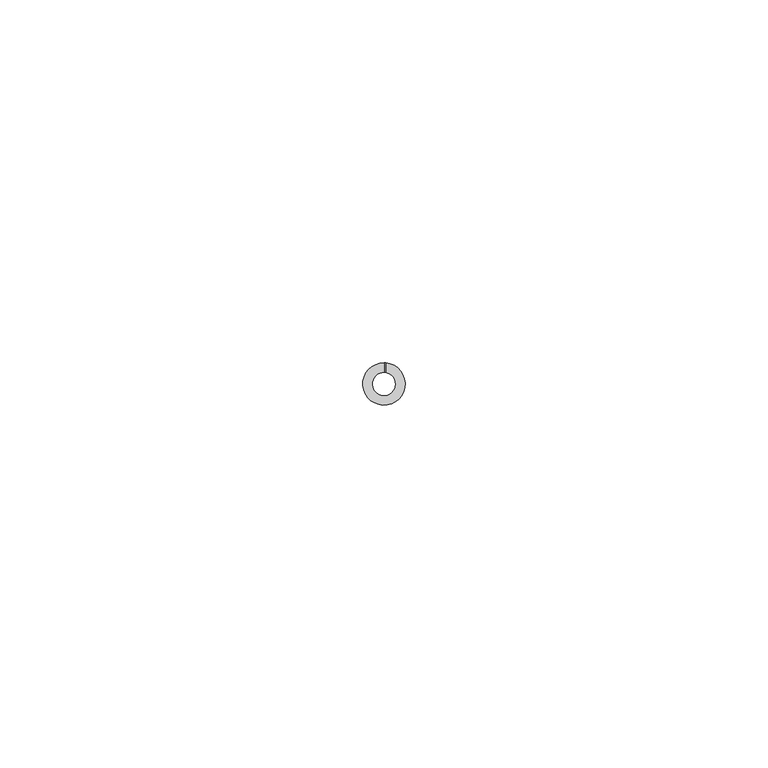
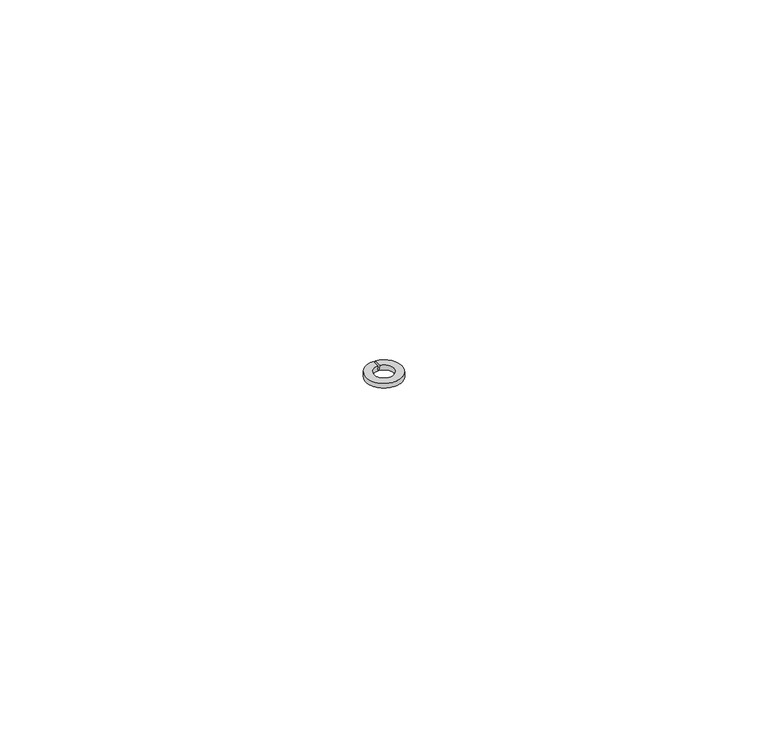
"""IFC4 building model written with IfcOpenShell, lengths in millimetres: proxy geometry."""

from ifc_helpers import new_model, si_unit, frame, origin, place, context, project, spatial, polyline, circle_curve, ellipse_curve, source, transform, mapped, element, save
from ifc_brep_helpers import plane_surface, cylinder_surface, revolved_surface, advanced_brep


def generic_models_9541a51e(model_context):
    return source(origin(), model_context, "Body", "AdvancedBrep", [
        advanced_brep(
        [(0.0405483, 1.6044877, 0.0), (-0.09875, 1.6019592, -0.79), (-0.09875, 2.9133269, -0.79), (0.0405483, 2.914718, 0.0), (0.09875, 1.6019592, -0.79), (0.2380483, 1.5872486, 0.0), (0.2380483, 2.9052638, 0.0), (0.09875, 2.9133269, -0.79)],
        [
            (0, 1, ellipse_curve(frame((0.0, 0.0, -0.2299609), z_axis=(-0.984807753012208, 0.0, 0.17364817766693055), x_axis=(0.17364817766693055, 0.0, 0.9848077530122081)), 9.2428266, 1.605)),
            (1, 2),
            (2, 3, ellipse_curve(frame((0.0, 0.0, -0.2299609), z_axis=(0.984807753012208, 0.0, -0.17364817766693055), x_axis=(-0.17364817766693055, 0.0, -0.9848077530122081)), 16.786816, 2.915)),
            (3, 0),
            (4, 5, ellipse_curve(frame((0.0, 0.0, -1.3500391), z_axis=(0.9848077530122081, 0.0, -0.17364817766693044), x_axis=(0.17364817766693047, 0.0, 0.9848077530122082)), 9.2428266, 1.605)),
            (5, 6),
            (6, 7, ellipse_curve(frame((0.0, 0.0, -1.3500391), z_axis=(-0.9848077530122081, 0.0, 0.17364817766693044), x_axis=(-0.17364817766693047, 0.0, -0.9848077530122082)), 16.786816, 2.915)),
            (7, 4),
            (7, 2, circle_curve(frame((0.0, 0.0, -0.79), z_axis=(0.0, 0.0, -1.0), x_axis=(-0.023894555864408352, -0.9997144843404253, 0.0)), 2.915)),
            (1, 4, circle_curve(frame((0.0, 0.0, -0.79), z_axis=(0.0, 0.0, 1.0), x_axis=(-0.0434022618548252, -0.9990576778474229, 0.0)), 1.605)),
            (6, 3, circle_curve(frame((0.0, 0.0, 0.0), z_axis=(0.0, 0.0, -1.0), x_axis=(-0.023894555864408352, -0.9997144843404253, 0.0)), 2.915)),
            (0, 5, circle_curve(frame((0.0, 0.0, 0.0), z_axis=(0.0, 0.0, 1.0), x_axis=(-0.0434022618548252, -0.9990576778474229, 0.0)), 1.605)),
        ],
        [
            plane_surface(frame((-0.09875, 2.915, -0.79), z_axis=(0.984807753012208, 0.0, -0.17364817766693055), x_axis=(0.17364817766693055, 0.0, 0.984807753012208))),
            plane_surface(frame((0.2380483, 2.915, 0.0), z_axis=(-0.9848077530122081, 0.0, 0.17364817766693044), x_axis=(-0.17364817766693044, 0.0, -0.9848077530122081))),
            plane_surface(frame((0.0, 0.0, -0.79), z_axis=(0.0, 0.0, -1.0), x_axis=(-1.0, 0.0, 0.0))),
            cylinder_surface(frame((0.0, 0.0, 0.0), z_axis=(0.0, 0.0, -0.9999999999999998), x_axis=(-0.023894555864408352, -0.9997144843404253, 0.0)), 2.915),
            revolved_surface(polyline([(-0.06966063027699444, -1.603487572945114, 8.872446395427469), (-0.06966063027699444, -1.603487572945114, -10.452446395427469)]), (0.0, 0.0, -8.2826264), (0.0, 0.0, 1.0)),
            plane_surface(frame((0.0, 0.0, 0.0), z_axis=(0.0, 0.0, 1.0), x_axis=(-1.0, 0.0, 0.0))),
        ],
        [
            (0, [[1, 2, 3, 4]]),
            (1, [[5, 6, 7, 8]]),
            (2, [[-8, 9, -2, 10]]),
            (3, [[-7, 11, -3, -9]]),
            (4, [[-5, -10, -1, 12]]),
            (5, [[-6, -12, -4, -11]]),
        ],
    ),
    ])


if __name__ == "__main__":
    model = new_model("IFC4")
    model_context = context("Model", 3, world=origin())
    ifc_project = project(units=[si_unit("LENGTHUNIT", "METRE", prefix="MILLI")], contexts=[model_context])
    site = spatial("IfcSite", under=ifc_project)
    building = spatial("IfcBuilding", under=site)
    placement = place(None, origin())
    generic_models_shape = generic_models_9541a51e(model_context)
    element("IfcBuildingElementProxy", 1, Name="Generic Models", at=placement, inside=building, context=model_context, shape_type="MappedRepresentation", body=[
        mapped(generic_models_shape, transform((0.0, 0.0, 0.0), x_axis=(1.0, 0.0, 0.0), y_axis=(0.0, 1.0, 0.0), z_axis=(0.0, 0.0, 1.0))),
    ])
    save(model, "model.ifc")
